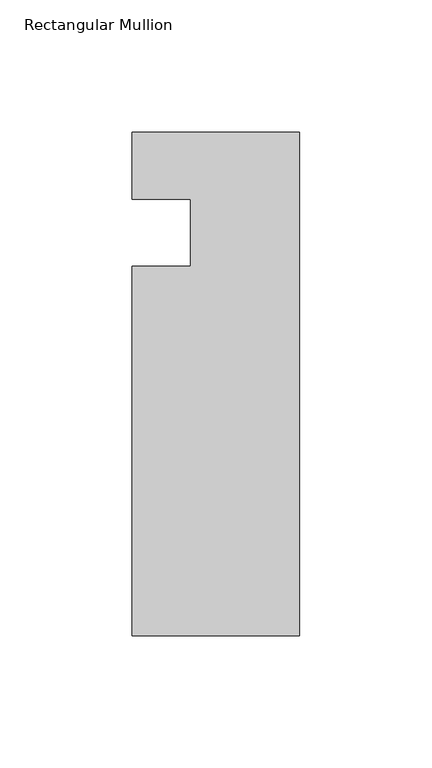
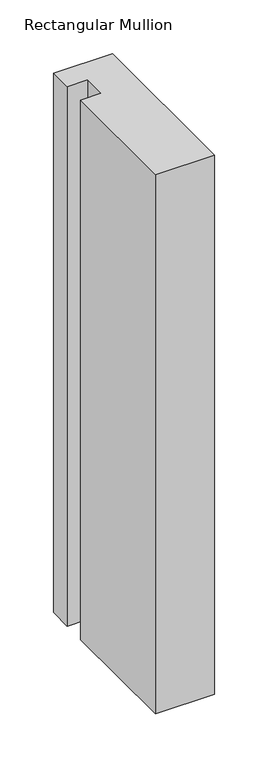
"""IFC4 building model written with IfcOpenShell, lengths in millimetres: member geometry, Rectangular Mullion."""

from ifc_helpers import new_model, si_unit, frame, origin, place, context, project, spatial, polyline, outline, extrude, source, transform, mapped, element, save


def rectangular_mullion_45b7da72(model_context):
    return source(origin(), model_context, "Body", "SweptSolid", [
        extrude(outline(polyline([(0.0, -152.399995), (-63.5, -152.399995), (-63.5, -12.7), (-41.2751132, -12.7), (-41.2751132, 12.7), (-63.5, 12.7), (-63.5, 38.1), (0.0, 38.1), (0.0, -152.399995)])), frame((0.0, 0.0, -614.8916289), z_axis=(0.0, 0.0, 1.0), x_axis=(1.0, 0.0, 0.0)), (0.0, 0.0, 1.0), 614.8916289),
    ])


if __name__ == "__main__":
    model = new_model("IFC4")
    model_context = context("Model", 3, world=origin())
    ifc_project = project(units=[si_unit("LENGTHUNIT", "METRE", prefix="MILLI")], contexts=[model_context])
    site = spatial("IfcSite", under=ifc_project)
    building = spatial("IfcBuilding", under=site)
    placement = place(None, origin())
    rectangular_mullion_shape = rectangular_mullion_45b7da72(model_context)
    element("IfcMember", 1, ObjectType="Rectangular Mullion", at=placement, inside=building, context=model_context, shape_type="MappedRepresentation", body=[
        mapped(rectangular_mullion_shape, transform((0.0, 0.0, 0.0), x_axis=(1.0, 0.0, 0.0), y_axis=(0.0, 1.0, 0.0), z_axis=(0.0, 0.0, 1.0))),
    ])
    save(model, "model.ifc")
